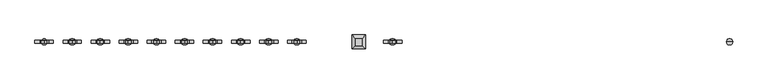
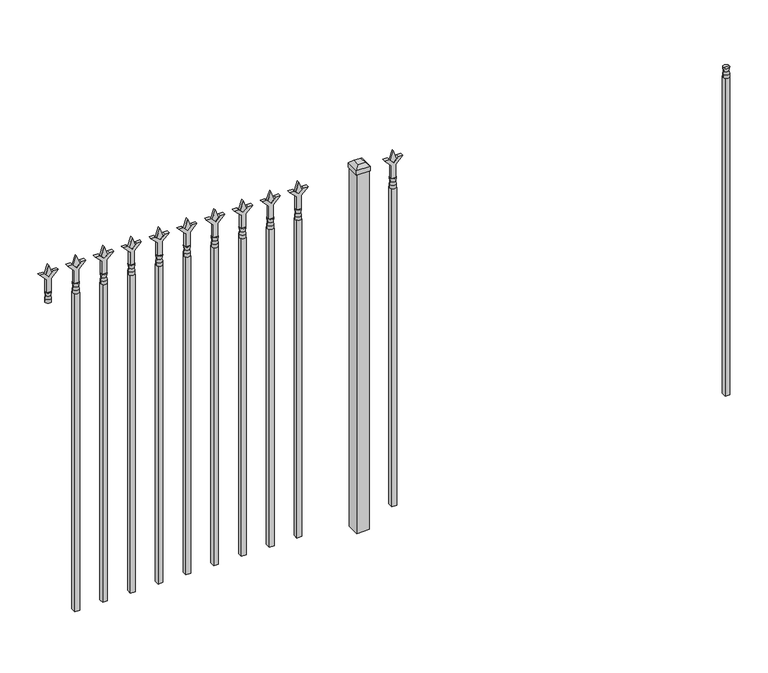
"""IFC4 building model written with IfcOpenShell, lengths in millimetres: railing geometry."""

from ifc_helpers import new_model, si_unit, frame, origin, origin_with_axes, place, context, project, spatial, polyline, circle_curve, outline, extrude, faceted_brep, source, transform, mapped, element, save
from ifc_brep_helpers import plane_surface, cylinder_surface, revolved_surface, advanced_brep


def railing_dc8697da(model_context):
    return source(origin(), model_context, "Body", "SolidModel", [
        advanced_brep(
        [(-70507.574337, 5460.7429826, 1384.3), (-70531.386837, 5460.7429826, 1384.3), (-70531.386837, 5460.7429826, 1371.6), (-70507.574337, 5460.7429826, 1371.6), (-70509.7796688, 5460.7429826, 1396.8070585), (-70529.1815051, 5460.7429826, 1396.8070585), (-70507.574337, 5460.7429826, 1412.875), (-70531.386837, 5460.7429826, 1412.875), (-70519.480587, 5460.7429826, 1412.875), (-70519.480587, 5460.7429826, 1371.6)],
        [
            (0, 1, circle_curve(frame((-70519.480587, 5460.7429826, 1384.3), z_axis=(0.0, 0.0, -1.0), x_axis=(-1.0, 0.0, 0.0)), 11.90625)),
            (1, 2),
            (2, 3, circle_curve(frame((-70519.480587, 5460.7429826, 1371.6), z_axis=(0.0, 0.0, 1.0), x_axis=(-1.0, 0.0, 0.0)), 11.90625)),
            (3, 0),
            (1, 0, circle_curve(frame((-70519.480587, 5460.7429826, 1384.3), z_axis=(0.0, 0.0, -1.0), x_axis=(-1.0, 0.0, 0.0)), 11.90625)),
            (3, 2, circle_curve(frame((-70519.480587, 5460.7429826, 1371.6), z_axis=(0.0, 0.0, 1.0), x_axis=(-1.0, 0.0, 0.0)), 11.90625)),
            (4, 5, circle_curve(frame((-70519.480587, 5460.7429826, 1396.8070585), z_axis=(0.0, 0.0, -1.0), x_axis=(-1.0, 0.0, 0.0)), 9.7009181)),
            (5, 1),
            (0, 4),
            (5, 4, circle_curve(frame((-70519.480587, 5460.7429826, 1396.8070585), z_axis=(0.0, 0.0, -1.0), x_axis=(-1.0, 0.0, 0.0)), 9.7009181)),
            (6, 7, circle_curve(frame((-70519.480587, 5460.7429826, 1412.875), z_axis=(0.0, 0.0, -1.0), x_axis=(-1.0, 0.0, 0.0)), 11.90625)),
            (7, 5),
            (4, 6),
            (7, 6, circle_curve(frame((-70519.480587, 5460.7429826, 1412.875), z_axis=(0.0, 0.0, -1.0), x_axis=(-1.0, 0.0, 0.0)), 11.90625)),
            (8, 7),
            (6, 8),
            (2, 9),
            (9, 3),
        ],
        [
            cylinder_surface(frame((-70519.480587, 5460.7429826, 1371.6), z_axis=(0.0, 0.0, 1.0), x_axis=(-1.0, 0.0, 0.0)), 11.90625),
            revolved_surface(polyline([(-70531.386837, 5460.7429826, 1384.3), (-70529.1815051, 5460.7429826, 1396.8070585)]), (-70519.480587, 5460.7429826, 1371.6), (0.0, 0.0, 1.0)),
            revolved_surface(polyline([(-70529.1815051, 5460.7429826, 1396.8070585), (-70531.386837, 5460.7429826, 1412.875)]), (-70519.480587, 5460.7429826, 1371.6), (0.0, 0.0, 1.0)),
            plane_surface(frame((-70519.480587, 5460.7429826, 1412.875), z_axis=(0.0, 0.0, 1.0), x_axis=(-1.0, 0.0, 0.0))),
            plane_surface(frame((-70519.480587, 5460.7429826, 1371.6), z_axis=(0.0, 0.0, -1.0), x_axis=(-1.0, 0.0, 0.0))),
        ],
        [
            (0, [[1, 2, 3, 4]]),
            (0, [[5, -4, 6, -2]]),
            (1, [[7, 8, -1, 9]]),
            (1, [[10, -9, -5, -8]]),
            (2, [[11, 12, -7, 13]]),
            (2, [[14, -13, -10, -12]]),
            (3, [[15, -11, 16]]),
            (3, [[-16, -14, -15]]),
            (4, [[-3, 17, 18]]),
            (4, [[-6, -18, -17]]),
        ],
    ),
        extrude(outline(polyline([(-70529.005587, 5470.2679826), (-70509.955587, 5470.2679826), (-70509.955587, 5451.2179826), (-70529.005587, 5451.2179826), (-70529.005587, 5470.2679826)])), frame((0.0, 0.0, 50.8), z_axis=(0.0, 0.0, 1.0), x_axis=(1.0, 0.0, 0.0)), (0.0, 0.0, 1.0), 1320.8),
        extrude(outline(polyline([(1488.28125, -71818.849337), (1524.0, -71830.755587), (1488.28125, -71842.661837), (1476.375, -71830.755587), (1488.28125, -71818.849337)])), frame((0.0, 5455.9804826, 0.0), z_axis=(0.0, 1.0, 0.0), x_axis=(0.0, 0.0, 1.0)), (0.0, 0.0, 1.0), 9.525),
        extrude(outline(polyline([(1412.875, -71822.024337), (1467.1457378, -71822.024337), (1494.3355122, -71794.8345625), (1494.3355122, -71812.7950747), (1476.375, -71830.755587), (1494.3355122, -71848.7160992), (1494.3355122, -71866.6766114), (1467.1457378, -71839.486837), (1412.875, -71839.486837), (1412.875, -71822.024337)])), frame((0.0, 5454.3929826, 0.0), z_axis=(0.0, 1.0, 0.0), x_axis=(0.0, 0.0, 1.0)), (0.0, 0.0, 1.0), 12.7),
        advanced_brep(
        [(-71818.849337, 5460.7429826, 1384.3), (-71842.661837, 5460.7429826, 1384.3), (-71842.661837, 5460.7429826, 1371.6), (-71818.849337, 5460.7429826, 1371.6), (-71821.0546688, 5460.7429826, 1396.8070585), (-71840.4565051, 5460.7429826, 1396.8070585), (-71818.849337, 5460.7429826, 1412.875), (-71842.661837, 5460.7429826, 1412.875), (-71830.755587, 5460.7429826, 1412.875), (-71830.755587, 5460.7429826, 1371.6)],
        [
            (0, 1, circle_curve(frame((-71830.755587, 5460.7429826, 1384.3), z_axis=(0.0, 0.0, -1.0), x_axis=(-1.0, 0.0, 0.0)), 11.90625)),
            (1, 2),
            (2, 3, circle_curve(frame((-71830.755587, 5460.7429826, 1371.6), z_axis=(0.0, 0.0, 1.0), x_axis=(-1.0, 0.0, 0.0)), 11.90625)),
            (3, 0),
            (1, 0, circle_curve(frame((-71830.755587, 5460.7429826, 1384.3), z_axis=(0.0, 0.0, -1.0), x_axis=(-1.0, 0.0, 0.0)), 11.90625)),
            (3, 2, circle_curve(frame((-71830.755587, 5460.7429826, 1371.6), z_axis=(0.0, 0.0, 1.0), x_axis=(-1.0, 0.0, 0.0)), 11.90625)),
            (4, 5, circle_curve(frame((-71830.755587, 5460.7429826, 1396.8070585), z_axis=(0.0, 0.0, -1.0), x_axis=(-1.0, 0.0, 0.0)), 9.7009181)),
            (5, 1),
            (0, 4),
            (5, 4, circle_curve(frame((-71830.755587, 5460.7429826, 1396.8070585), z_axis=(0.0, 0.0, -1.0), x_axis=(-1.0, 0.0, 0.0)), 9.7009181)),
            (6, 7, circle_curve(frame((-71830.755587, 5460.7429826, 1412.875), z_axis=(0.0, 0.0, -1.0), x_axis=(-1.0, 0.0, 0.0)), 11.90625)),
            (7, 5),
            (4, 6),
            (7, 6, circle_curve(frame((-71830.755587, 5460.7429826, 1412.875), z_axis=(0.0, 0.0, -1.0), x_axis=(-1.0, 0.0, 0.0)), 11.90625)),
            (8, 7),
            (6, 8),
            (2, 9),
            (9, 3),
        ],
        [
            cylinder_surface(frame((-71830.755587, 5460.7429826, 1371.6), z_axis=(0.0, 0.0, 1.0), x_axis=(-1.0, 0.0, 0.0)), 11.90625),
            revolved_surface(polyline([(-71842.661837, 5460.7429826, 1384.3), (-71840.4565051, 5460.7429826, 1396.8070585)]), (-71830.755587, 5460.7429826, 1371.6), (0.0, 0.0, 1.0)),
            revolved_surface(polyline([(-71840.4565051, 5460.7429826, 1396.8070585), (-71842.661837, 5460.7429826, 1412.875)]), (-71830.755587, 5460.7429826, 1371.6), (0.0, 0.0, 1.0)),
            plane_surface(frame((-71830.755587, 5460.7429826, 1412.875), z_axis=(0.0, 0.0, 1.0), x_axis=(-1.0, 0.0, 0.0))),
            plane_surface(frame((-71830.755587, 5460.7429826, 1371.6), z_axis=(0.0, 0.0, -1.0), x_axis=(-1.0, 0.0, 0.0))),
        ],
        [
            (0, [[1, 2, 3, 4]]),
            (0, [[5, -4, 6, -2]]),
            (1, [[7, 8, -1, 9]]),
            (1, [[10, -9, -5, -8]]),
            (2, [[11, 12, -7, 13]]),
            (2, [[14, -13, -10, -12]]),
            (3, [[15, -11, 16]]),
            (3, [[-16, -14, -15]]),
            (4, [[-3, 17, 18]]),
            (4, [[-6, -18, -17]]),
        ],
    ),
        extrude(outline(polyline([(-71840.280587, 5470.2679826), (-71821.230587, 5470.2679826), (-71821.230587, 5451.2179826), (-71840.280587, 5451.2179826), (-71840.280587, 5470.2679826)])), frame((0.0, 0.0, 50.8), z_axis=(0.0, 0.0, 1.0), x_axis=(1.0, 0.0, 0.0)), (0.0, 0.0, 1.0), 1320.8),
        extrude(outline(polyline([(-71937.118087, 5486.1429826), (-71937.118087, 5435.3429826), (-71987.918087, 5435.3429826), (-71987.918087, 5486.1429826), (-71937.118087, 5486.1429826)])), origin_with_axes(), (0.0, 0.0, 1.0), 1492.25),
        faceted_brep([(-71989.505587, 5487.7304826, 1511.3), (-71989.505587, 5487.7304826, 1492.25), (-71989.505587, 5433.7554826, 1492.25), (-71989.505587, 5433.7554826, 1511.3), (-71976.805587, 5475.0304826, 1524.0), (-71976.805587, 5446.4554826, 1524.0), (-71935.530587, 5433.7554826, 1492.25), (-71935.530587, 5433.7554826, 1511.3), (-71948.230587, 5446.4554826, 1524.0), (-71935.530587, 5487.7304826, 1492.25), (-71935.530587, 5487.7304826, 1511.3), (-71948.230587, 5475.0304826, 1524.0)], [[[0, 1, 2, 3]], [[4, 0, 3, 5]], [[3, 2, 6, 7]], [[5, 3, 7, 8]], [[7, 6, 9, 10]], [[8, 7, 10, 11]], [[10, 9, 1, 0]], [[11, 10, 0, 4]], [[5, 8, 11, 4]], [[1, 9, 6, 2]]]),
        extrude(outline(polyline([(1488.28125, -72191.6472536), (1524.0, -72203.5535036), (1488.28125, -72215.4597536), (1476.375, -72203.5535036), (1488.28125, -72191.6472536)])), frame((0.0, 5455.9804826, 0.0), z_axis=(0.0, 1.0, 0.0), x_axis=(0.0, 0.0, 1.0)), (0.0, 0.0, 1.0), 9.525),
        extrude(outline(polyline([(1412.875, -72194.8222536), (1467.1457378, -72194.8222536), (1494.3355122, -72167.6324791), (1494.3355122, -72185.5929914), (1476.375, -72203.5535036), (1494.3355122, -72221.5140159), (1494.3355122, -72239.4745281), (1467.1457378, -72212.2847536), (1412.875, -72212.2847536), (1412.875, -72194.8222536)])), frame((0.0, 5454.3929826, 0.0), z_axis=(0.0, 1.0, 0.0), x_axis=(0.0, 0.0, 1.0)), (0.0, 0.0, 1.0), 12.7),
        advanced_brep(
        [(-72191.6472536, 5460.7429826, 1384.3), (-72215.4597536, 5460.7429826, 1384.3), (-72215.4597536, 5460.7429826, 1371.6), (-72191.6472536, 5460.7429826, 1371.6), (-72193.8525855, 5460.7429826, 1396.8070585), (-72213.2544218, 5460.7429826, 1396.8070585), (-72191.6472536, 5460.7429826, 1412.875), (-72215.4597536, 5460.7429826, 1412.875), (-72203.5535036, 5460.7429826, 1412.875), (-72203.5535036, 5460.7429826, 1371.6)],
        [
            (0, 1, circle_curve(frame((-72203.5535036, 5460.7429826, 1384.3), z_axis=(0.0, 0.0, -1.0), x_axis=(-1.0, 0.0, 0.0)), 11.90625)),
            (1, 2),
            (2, 3, circle_curve(frame((-72203.5535036, 5460.7429826, 1371.6), z_axis=(0.0, 0.0, 1.0), x_axis=(-1.0, 0.0, 0.0)), 11.90625)),
            (3, 0),
            (1, 0, circle_curve(frame((-72203.5535036, 5460.7429826, 1384.3), z_axis=(0.0, 0.0, -1.0), x_axis=(-1.0, 0.0, 0.0)), 11.90625)),
            (3, 2, circle_curve(frame((-72203.5535036, 5460.7429826, 1371.6), z_axis=(0.0, 0.0, 1.0), x_axis=(-1.0, 0.0, 0.0)), 11.90625)),
            (4, 5, circle_curve(frame((-72203.5535036, 5460.7429826, 1396.8070585), z_axis=(0.0, 0.0, -1.0), x_axis=(-1.0, 0.0, 0.0)), 9.7009181)),
            (5, 1),
            (0, 4),
            (5, 4, circle_curve(frame((-72203.5535036, 5460.7429826, 1396.8070585), z_axis=(0.0, 0.0, -1.0), x_axis=(-1.0, 0.0, 0.0)), 9.7009181)),
            (6, 7, circle_curve(frame((-72203.5535036, 5460.7429826, 1412.875), z_axis=(0.0, 0.0, -1.0), x_axis=(-1.0, 0.0, 0.0)), 11.90625)),
            (7, 5),
            (4, 6),
            (7, 6, circle_curve(frame((-72203.5535036, 5460.7429826, 1412.875), z_axis=(0.0, 0.0, -1.0), x_axis=(-1.0, 0.0, 0.0)), 11.90625)),
            (8, 7),
            (6, 8),
            (2, 9),
            (9, 3),
        ],
        [
            cylinder_surface(frame((-72203.5535036, 5460.7429826, 1371.6), z_axis=(0.0, 0.0, 1.0), x_axis=(-1.0, 0.0, 0.0)), 11.90625),
            revolved_surface(polyline([(-72215.4597536, 5460.7429826, 1384.3), (-72213.2544218, 5460.7429826, 1396.8070585)]), (-72203.5535036, 5460.7429826, 1371.6), (0.0, 0.0, 1.0)),
            revolved_surface(polyline([(-72213.2544218, 5460.7429826, 1396.8070585), (-72215.4597536, 5460.7429826, 1412.875)]), (-72203.5535036, 5460.7429826, 1371.6), (0.0, 0.0, 1.0)),
            plane_surface(frame((-72203.5535036, 5460.7429826, 1412.875), z_axis=(0.0, 0.0, 1.0), x_axis=(-1.0, 0.0, 0.0))),
            plane_surface(frame((-72203.5535036, 5460.7429826, 1371.6), z_axis=(0.0, 0.0, -1.0), x_axis=(-1.0, 0.0, 0.0))),
        ],
        [
            (0, [[1, 2, 3, 4]]),
            (0, [[5, -4, 6, -2]]),
            (1, [[7, 8, -1, 9]]),
            (1, [[10, -9, -5, -8]]),
            (2, [[11, 12, -7, 13]]),
            (2, [[14, -13, -10, -12]]),
            (3, [[15, -11, 16]]),
            (3, [[-16, -14, -15]]),
            (4, [[-3, 17, 18]]),
            (4, [[-6, -18, -17]]),
        ],
    ),
        extrude(outline(polyline([(-72213.0785036, 5470.2679826), (-72194.0285036, 5470.2679826), (-72194.0285036, 5451.2179826), (-72213.0785036, 5451.2179826), (-72213.0785036, 5470.2679826)])), frame((0.0, 0.0, 50.8), z_axis=(0.0, 0.0, 1.0), x_axis=(1.0, 0.0, 0.0)), (0.0, 0.0, 1.0), 1320.8),
        extrude(outline(polyline([(1488.28125, -72300.9201703), (1524.0, -72312.8264203), (1488.28125, -72324.7326703), (1476.375, -72312.8264203), (1488.28125, -72300.9201703)])), frame((0.0, 5455.9804826, 0.0), z_axis=(0.0, 1.0, 0.0), x_axis=(0.0, 0.0, 1.0)), (0.0, 0.0, 1.0), 9.525),
        extrude(outline(polyline([(1412.875, -72304.0951703), (1467.1457378, -72304.0951703), (1494.3355122, -72276.9053958), (1494.3355122, -72294.8659081), (1476.375, -72312.8264203), (1494.3355122, -72330.7869325), (1494.3355122, -72348.7474448), (1467.1457378, -72321.5576703), (1412.875, -72321.5576703), (1412.875, -72304.0951703)])), frame((0.0, 5454.3929826, 0.0), z_axis=(0.0, 1.0, 0.0), x_axis=(0.0, 0.0, 1.0)), (0.0, 0.0, 1.0), 12.7),
        advanced_brep(
        [(-72300.9201703, 5460.7429826, 1384.3), (-72324.7326703, 5460.7429826, 1384.3), (-72324.7326703, 5460.7429826, 1371.6), (-72300.9201703, 5460.7429826, 1371.6), (-72303.1255022, 5460.7429826, 1396.8070585), (-72322.5273384, 5460.7429826, 1396.8070585), (-72300.9201703, 5460.7429826, 1412.875), (-72324.7326703, 5460.7429826, 1412.875), (-72312.8264203, 5460.7429826, 1412.875), (-72312.8264203, 5460.7429826, 1371.6)],
        [
            (0, 1, circle_curve(frame((-72312.8264203, 5460.7429826, 1384.3), z_axis=(0.0, 0.0, -1.0), x_axis=(-1.0, 0.0, 0.0)), 11.90625)),
            (1, 2),
            (2, 3, circle_curve(frame((-72312.8264203, 5460.7429826, 1371.6), z_axis=(0.0, 0.0, 1.0), x_axis=(-1.0, 0.0, 0.0)), 11.90625)),
            (3, 0),
            (1, 0, circle_curve(frame((-72312.8264203, 5460.7429826, 1384.3), z_axis=(0.0, 0.0, -1.0), x_axis=(-1.0, 0.0, 0.0)), 11.90625)),
            (3, 2, circle_curve(frame((-72312.8264203, 5460.7429826, 1371.6), z_axis=(0.0, 0.0, 1.0), x_axis=(-1.0, 0.0, 0.0)), 11.90625)),
            (4, 5, circle_curve(frame((-72312.8264203, 5460.7429826, 1396.8070585), z_axis=(0.0, 0.0, -1.0), x_axis=(-1.0, 0.0, 0.0)), 9.7009181)),
            (5, 1),
            (0, 4),
            (5, 4, circle_curve(frame((-72312.8264203, 5460.7429826, 1396.8070585), z_axis=(0.0, 0.0, -1.0), x_axis=(-1.0, 0.0, 0.0)), 9.7009181)),
            (6, 7, circle_curve(frame((-72312.8264203, 5460.7429826, 1412.875), z_axis=(0.0, 0.0, -1.0), x_axis=(-1.0, 0.0, 0.0)), 11.90625)),
            (7, 5),
            (4, 6),
            (7, 6, circle_curve(frame((-72312.8264203, 5460.7429826, 1412.875), z_axis=(0.0, 0.0, -1.0), x_axis=(-1.0, 0.0, 0.0)), 11.90625)),
            (8, 7),
            (6, 8),
            (2, 9),
            (9, 3),
        ],
        [
            cylinder_surface(frame((-72312.8264203, 5460.7429826, 1371.6), z_axis=(0.0, 0.0, 1.0), x_axis=(-1.0, 0.0, 0.0)), 11.90625),
            revolved_surface(polyline([(-72324.7326703, 5460.7429826, 1384.3), (-72322.5273384, 5460.7429826, 1396.8070585)]), (-72312.8264203, 5460.7429826, 1371.6), (0.0, 0.0, 1.0)),
            revolved_surface(polyline([(-72322.5273384, 5460.7429826, 1396.8070585), (-72324.7326703, 5460.7429826, 1412.875)]), (-72312.8264203, 5460.7429826, 1371.6), (0.0, 0.0, 1.0)),
            plane_surface(frame((-72312.8264203, 5460.7429826, 1412.875), z_axis=(0.0, 0.0, 1.0), x_axis=(-1.0, 0.0, 0.0))),
            plane_surface(frame((-72312.8264203, 5460.7429826, 1371.6), z_axis=(0.0, 0.0, -1.0), x_axis=(-1.0, 0.0, 0.0))),
        ],
        [
            (0, [[1, 2, 3, 4]]),
            (0, [[5, -4, 6, -2]]),
            (1, [[7, 8, -1, 9]]),
            (1, [[10, -9, -5, -8]]),
            (2, [[11, 12, -7, 13]]),
            (2, [[14, -13, -10, -12]]),
            (3, [[15, -11, 16]]),
            (3, [[-16, -14, -15]]),
            (4, [[-3, 17, 18]]),
            (4, [[-6, -18, -17]]),
        ],
    ),
        extrude(outline(polyline([(-72322.3514203, 5470.2679826), (-72303.3014203, 5470.2679826), (-72303.3014203, 5451.2179826), (-72322.3514203, 5451.2179826), (-72322.3514203, 5470.2679826)])), frame((0.0, 0.0, 50.8), z_axis=(0.0, 0.0, 1.0), x_axis=(1.0, 0.0, 0.0)), (0.0, 0.0, 1.0), 1320.8),
        extrude(outline(polyline([(1488.28125, -72410.193087), (1524.0, -72422.099337), (1488.28125, -72434.005587), (1476.375, -72422.099337), (1488.28125, -72410.193087)])), frame((0.0, 5455.9804826, 0.0), z_axis=(0.0, 1.0, 0.0), x_axis=(0.0, 0.0, 1.0)), (0.0, 0.0, 1.0), 9.525),
        extrude(outline(polyline([(1412.875, -72413.368087), (1467.1457378, -72413.368087), (1494.3355122, -72386.1783125), (1494.3355122, -72404.1388247), (1476.375, -72422.099337), (1494.3355122, -72440.0598492), (1494.3355122, -72458.0203614), (1467.1457378, -72430.830587), (1412.875, -72430.830587), (1412.875, -72413.368087)])), frame((0.0, 5454.3929826, 0.0), z_axis=(0.0, 1.0, 0.0), x_axis=(0.0, 0.0, 1.0)), (0.0, 0.0, 1.0), 12.7),
        advanced_brep(
        [(-72410.193087, 5460.7429826, 1384.3), (-72434.005587, 5460.7429826, 1384.3), (-72434.005587, 5460.7429826, 1371.6), (-72410.193087, 5460.7429826, 1371.6), (-72412.3984188, 5460.7429826, 1396.8070585), (-72431.8002551, 5460.7429826, 1396.8070585), (-72410.193087, 5460.7429826, 1412.875), (-72434.005587, 5460.7429826, 1412.875), (-72422.099337, 5460.7429826, 1412.875), (-72422.099337, 5460.7429826, 1371.6)],
        [
            (0, 1, circle_curve(frame((-72422.099337, 5460.7429826, 1384.3), z_axis=(0.0, 0.0, -1.0), x_axis=(-1.0, 0.0, 0.0)), 11.90625)),
            (1, 2),
            (2, 3, circle_curve(frame((-72422.099337, 5460.7429826, 1371.6), z_axis=(0.0, 0.0, 1.0), x_axis=(-1.0, 0.0, 0.0)), 11.90625)),
            (3, 0),
            (1, 0, circle_curve(frame((-72422.099337, 5460.7429826, 1384.3), z_axis=(0.0, 0.0, -1.0), x_axis=(-1.0, 0.0, 0.0)), 11.90625)),
            (3, 2, circle_curve(frame((-72422.099337, 5460.7429826, 1371.6), z_axis=(0.0, 0.0, 1.0), x_axis=(-1.0, 0.0, 0.0)), 11.90625)),
            (4, 5, circle_curve(frame((-72422.099337, 5460.7429826, 1396.8070585), z_axis=(0.0, 0.0, -1.0), x_axis=(-1.0, 0.0, 0.0)), 9.7009181)),
            (5, 1),
            (0, 4),
            (5, 4, circle_curve(frame((-72422.099337, 5460.7429826, 1396.8070585), z_axis=(0.0, 0.0, -1.0), x_axis=(-1.0, 0.0, 0.0)), 9.7009181)),
            (6, 7, circle_curve(frame((-72422.099337, 5460.7429826, 1412.875), z_axis=(0.0, 0.0, -1.0), x_axis=(-1.0, 0.0, 0.0)), 11.90625)),
            (7, 5),
            (4, 6),
            (7, 6, circle_curve(frame((-72422.099337, 5460.7429826, 1412.875), z_axis=(0.0, 0.0, -1.0), x_axis=(-1.0, 0.0, 0.0)), 11.90625)),
            (8, 7),
            (6, 8),
            (2, 9),
            (9, 3),
        ],
        [
            cylinder_surface(frame((-72422.099337, 5460.7429826, 1371.6), z_axis=(0.0, 0.0, 1.0), x_axis=(-1.0, 0.0, 0.0)), 11.90625),
            revolved_surface(polyline([(-72434.005587, 5460.7429826, 1384.3), (-72431.8002551, 5460.7429826, 1396.8070585)]), (-72422.099337, 5460.7429826, 1371.6), (0.0, 0.0, 1.0)),
            revolved_surface(polyline([(-72431.8002551, 5460.7429826, 1396.8070585), (-72434.005587, 5460.7429826, 1412.875)]), (-72422.099337, 5460.7429826, 1371.6), (0.0, 0.0, 1.0)),
            plane_surface(frame((-72422.099337, 5460.7429826, 1412.875), z_axis=(0.0, 0.0, 1.0), x_axis=(-1.0, 0.0, 0.0))),
            plane_surface(frame((-72422.099337, 5460.7429826, 1371.6), z_axis=(0.0, 0.0, -1.0), x_axis=(-1.0, 0.0, 0.0))),
        ],
        [
            (0, [[1, 2, 3, 4]]),
            (0, [[5, -4, 6, -2]]),
            (1, [[7, 8, -1, 9]]),
            (1, [[10, -9, -5, -8]]),
            (2, [[11, 12, -7, 13]]),
            (2, [[14, -13, -10, -12]]),
            (3, [[15, -11, 16]]),
            (3, [[-16, -14, -15]]),
            (4, [[-3, 17, 18]]),
            (4, [[-6, -18, -17]]),
        ],
    ),
        extrude(outline(polyline([(-72431.624337, 5470.2679826), (-72412.574337, 5470.2679826), (-72412.574337, 5451.2179826), (-72431.624337, 5451.2179826), (-72431.624337, 5470.2679826)])), frame((0.0, 0.0, 50.8), z_axis=(0.0, 0.0, 1.0), x_axis=(1.0, 0.0, 0.0)), (0.0, 0.0, 1.0), 1320.8),
        extrude(outline(polyline([(1488.28125, -72519.4660036), (1524.0, -72531.3722536), (1488.28125, -72543.2785036), (1476.375, -72531.3722536), (1488.28125, -72519.4660036)])), frame((0.0, 5455.9804826, 0.0), z_axis=(0.0, 1.0, 0.0), x_axis=(0.0, 0.0, 1.0)), (0.0, 0.0, 1.0), 9.525),
        extrude(outline(polyline([(1412.875, -72522.6410036), (1467.1457378, -72522.6410036), (1494.3355122, -72495.4512291), (1494.3355122, -72513.4117414), (1476.375, -72531.3722536), (1494.3355122, -72549.3327659), (1494.3355122, -72567.2932781), (1467.1457378, -72540.1035036), (1412.875, -72540.1035036), (1412.875, -72522.6410036)])), frame((0.0, 5454.3929826, 0.0), z_axis=(0.0, 1.0, 0.0), x_axis=(0.0, 0.0, 1.0)), (0.0, 0.0, 1.0), 12.7),
        advanced_brep(
        [(-72519.4660036, 5460.7429826, 1384.3), (-72543.2785036, 5460.7429826, 1384.3), (-72543.2785036, 5460.7429826, 1371.6), (-72519.4660036, 5460.7429826, 1371.6), (-72521.6713355, 5460.7429826, 1396.8070585), (-72541.0731718, 5460.7429826, 1396.8070585), (-72519.4660036, 5460.7429826, 1412.875), (-72543.2785036, 5460.7429826, 1412.875), (-72531.3722536, 5460.7429826, 1412.875), (-72531.3722536, 5460.7429826, 1371.6)],
        [
            (0, 1, circle_curve(frame((-72531.3722536, 5460.7429826, 1384.3), z_axis=(0.0, 0.0, -1.0), x_axis=(-1.0, 0.0, 0.0)), 11.90625)),
            (1, 2),
            (2, 3, circle_curve(frame((-72531.3722536, 5460.7429826, 1371.6), z_axis=(0.0, 0.0, 1.0), x_axis=(-1.0, 0.0, 0.0)), 11.90625)),
            (3, 0),
            (1, 0, circle_curve(frame((-72531.3722536, 5460.7429826, 1384.3), z_axis=(0.0, 0.0, -1.0), x_axis=(-1.0, 0.0, 0.0)), 11.90625)),
            (3, 2, circle_curve(frame((-72531.3722536, 5460.7429826, 1371.6), z_axis=(0.0, 0.0, 1.0), x_axis=(-1.0, 0.0, 0.0)), 11.90625)),
            (4, 5, circle_curve(frame((-72531.3722536, 5460.7429826, 1396.8070585), z_axis=(0.0, 0.0, -1.0), x_axis=(-1.0, 0.0, 0.0)), 9.7009181)),
            (5, 1),
            (0, 4),
            (5, 4, circle_curve(frame((-72531.3722536, 5460.7429826, 1396.8070585), z_axis=(0.0, 0.0, -1.0), x_axis=(-1.0, 0.0, 0.0)), 9.7009181)),
            (6, 7, circle_curve(frame((-72531.3722536, 5460.7429826, 1412.875), z_axis=(0.0, 0.0, -1.0), x_axis=(-1.0, 0.0, 0.0)), 11.90625)),
            (7, 5),
            (4, 6),
            (7, 6, circle_curve(frame((-72531.3722536, 5460.7429826, 1412.875), z_axis=(0.0, 0.0, -1.0), x_axis=(-1.0, 0.0, 0.0)), 11.90625)),
            (8, 7),
            (6, 8),
            (2, 9),
            (9, 3),
        ],
        [
            cylinder_surface(frame((-72531.3722536, 5460.7429826, 1371.6), z_axis=(0.0, 0.0, 1.0), x_axis=(-1.0, 0.0, 0.0)), 11.90625),
            revolved_surface(polyline([(-72543.2785036, 5460.7429826, 1384.3), (-72541.0731718, 5460.7429826, 1396.8070585)]), (-72531.3722536, 5460.7429826, 1371.6), (0.0, 0.0, 1.0)),
            revolved_surface(polyline([(-72541.0731718, 5460.7429826, 1396.8070585), (-72543.2785036, 5460.7429826, 1412.875)]), (-72531.3722536, 5460.7429826, 1371.6), (0.0, 0.0, 1.0)),
            plane_surface(frame((-72531.3722536, 5460.7429826, 1412.875), z_axis=(0.0, 0.0, 1.0), x_axis=(-1.0, 0.0, 0.0))),
            plane_surface(frame((-72531.3722536, 5460.7429826, 1371.6), z_axis=(0.0, 0.0, -1.0), x_axis=(-1.0, 0.0, 0.0))),
        ],
        [
            (0, [[1, 2, 3, 4]]),
            (0, [[5, -4, 6, -2]]),
            (1, [[7, 8, -1, 9]]),
            (1, [[10, -9, -5, -8]]),
            (2, [[11, 12, -7, 13]]),
            (2, [[14, -13, -10, -12]]),
            (3, [[15, -11, 16]]),
            (3, [[-16, -14, -15]]),
            (4, [[-3, 17, 18]]),
            (4, [[-6, -18, -17]]),
        ],
    ),
        extrude(outline(polyline([(-72540.8972536, 5470.2679826), (-72521.8472536, 5470.2679826), (-72521.8472536, 5451.2179826), (-72540.8972536, 5451.2179826), (-72540.8972536, 5470.2679826)])), frame((0.0, 0.0, 50.8), z_axis=(0.0, 0.0, 1.0), x_axis=(1.0, 0.0, 0.0)), (0.0, 0.0, 1.0), 1320.8),
        extrude(outline(polyline([(1488.28125, -72628.7389203), (1524.0, -72640.6451703), (1488.28125, -72652.5514203), (1476.375, -72640.6451703), (1488.28125, -72628.7389203)])), frame((0.0, 5455.9804826, 0.0), z_axis=(0.0, 1.0, 0.0), x_axis=(0.0, 0.0, 1.0)), (0.0, 0.0, 1.0), 9.525),
        extrude(outline(polyline([(1412.875, -72631.9139203), (1467.1457378, -72631.9139203), (1494.3355122, -72604.7241458), (1494.3355122, -72622.6846581), (1476.375, -72640.6451703), (1494.3355122, -72658.6056825), (1494.3355122, -72676.5661948), (1467.1457378, -72649.3764203), (1412.875, -72649.3764203), (1412.875, -72631.9139203)])), frame((0.0, 5454.3929826, 0.0), z_axis=(0.0, 1.0, 0.0), x_axis=(0.0, 0.0, 1.0)), (0.0, 0.0, 1.0), 12.7),
        advanced_brep(
        [(-72628.7389203, 5460.7429826, 1384.3), (-72652.5514203, 5460.7429826, 1384.3), (-72652.5514203, 5460.7429826, 1371.6), (-72628.7389203, 5460.7429826, 1371.6), (-72630.9442522, 5460.7429826, 1396.8070585), (-72650.3460884, 5460.7429826, 1396.8070585), (-72628.7389203, 5460.7429826, 1412.875), (-72652.5514203, 5460.7429826, 1412.875), (-72640.6451703, 5460.7429826, 1412.875), (-72640.6451703, 5460.7429826, 1371.6)],
        [
            (0, 1, circle_curve(frame((-72640.6451703, 5460.7429826, 1384.3), z_axis=(0.0, 0.0, -1.0), x_axis=(-1.0, 0.0, 0.0)), 11.90625)),
            (1, 2),
            (2, 3, circle_curve(frame((-72640.6451703, 5460.7429826, 1371.6), z_axis=(0.0, 0.0, 1.0), x_axis=(-1.0, 0.0, 0.0)), 11.90625)),
            (3, 0),
            (1, 0, circle_curve(frame((-72640.6451703, 5460.7429826, 1384.3), z_axis=(0.0, 0.0, -1.0), x_axis=(-1.0, 0.0, 0.0)), 11.90625)),
            (3, 2, circle_curve(frame((-72640.6451703, 5460.7429826, 1371.6), z_axis=(0.0, 0.0, 1.0), x_axis=(-1.0, 0.0, 0.0)), 11.90625)),
            (4, 5, circle_curve(frame((-72640.6451703, 5460.7429826, 1396.8070585), z_axis=(0.0, 0.0, -1.0), x_axis=(-1.0, 0.0, 0.0)), 9.7009181)),
            (5, 1),
            (0, 4),
            (5, 4, circle_curve(frame((-72640.6451703, 5460.7429826, 1396.8070585), z_axis=(0.0, 0.0, -1.0), x_axis=(-1.0, 0.0, 0.0)), 9.7009181)),
            (6, 7, circle_curve(frame((-72640.6451703, 5460.7429826, 1412.875), z_axis=(0.0, 0.0, -1.0), x_axis=(-1.0, 0.0, 0.0)), 11.90625)),
            (7, 5),
            (4, 6),
            (7, 6, circle_curve(frame((-72640.6451703, 5460.7429826, 1412.875), z_axis=(0.0, 0.0, -1.0), x_axis=(-1.0, 0.0, 0.0)), 11.90625)),
            (8, 7),
            (6, 8),
            (2, 9),
            (9, 3),
        ],
        [
            cylinder_surface(frame((-72640.6451703, 5460.7429826, 1371.6), z_axis=(0.0, 0.0, 1.0), x_axis=(-1.0, 0.0, 0.0)), 11.90625),
            revolved_surface(polyline([(-72652.5514203, 5460.7429826, 1384.3), (-72650.3460884, 5460.7429826, 1396.8070585)]), (-72640.6451703, 5460.7429826, 1371.6), (0.0, 0.0, 1.0)),
            revolved_surface(polyline([(-72650.3460884, 5460.7429826, 1396.8070585), (-72652.5514203, 5460.7429826, 1412.875)]), (-72640.6451703, 5460.7429826, 1371.6), (0.0, 0.0, 1.0)),
            plane_surface(frame((-72640.6451703, 5460.7429826, 1412.875), z_axis=(0.0, 0.0, 1.0), x_axis=(-1.0, 0.0, 0.0))),
            plane_surface(frame((-72640.6451703, 5460.7429826, 1371.6), z_axis=(0.0, 0.0, -1.0), x_axis=(-1.0, 0.0, 0.0))),
        ],
        [
            (0, [[1, 2, 3, 4]]),
            (0, [[5, -4, 6, -2]]),
            (1, [[7, 8, -1, 9]]),
            (1, [[10, -9, -5, -8]]),
            (2, [[11, 12, -7, 13]]),
            (2, [[14, -13, -10, -12]]),
            (3, [[15, -11, 16]]),
            (3, [[-16, -14, -15]]),
            (4, [[-3, 17, 18]]),
            (4, [[-6, -18, -17]]),
        ],
    ),
        extrude(outline(polyline([(-72650.1701703, 5470.2679826), (-72631.1201703, 5470.2679826), (-72631.1201703, 5451.2179826), (-72650.1701703, 5451.2179826), (-72650.1701703, 5470.2679826)])), frame((0.0, 0.0, 50.8), z_axis=(0.0, 0.0, 1.0), x_axis=(1.0, 0.0, 0.0)), (0.0, 0.0, 1.0), 1320.8),
        extrude(outline(polyline([(1488.28125, -72738.011837), (1524.0, -72749.918087), (1488.28125, -72761.824337), (1476.375, -72749.918087), (1488.28125, -72738.011837)])), frame((0.0, 5455.9804826, 0.0), z_axis=(0.0, 1.0, 0.0), x_axis=(0.0, 0.0, 1.0)), (0.0, 0.0, 1.0), 9.525),
        extrude(outline(polyline([(1412.875, -72741.186837), (1467.1457378, -72741.186837), (1494.3355122, -72713.9970625), (1494.3355122, -72731.9575747), (1476.375, -72749.918087), (1494.3355122, -72767.8785992), (1494.3355122, -72785.8391114), (1467.1457378, -72758.649337), (1412.875, -72758.649337), (1412.875, -72741.186837)])), frame((0.0, 5454.3929826, 0.0), z_axis=(0.0, 1.0, 0.0), x_axis=(0.0, 0.0, 1.0)), (0.0, 0.0, 1.0), 12.7),
        advanced_brep(
        [(-72738.011837, 5460.7429826, 1384.3), (-72761.824337, 5460.7429826, 1384.3), (-72761.824337, 5460.7429826, 1371.6), (-72738.011837, 5460.7429826, 1371.6), (-72740.2171688, 5460.7429826, 1396.8070585), (-72759.6190051, 5460.7429826, 1396.8070585), (-72738.011837, 5460.7429826, 1412.875), (-72761.824337, 5460.7429826, 1412.875), (-72749.918087, 5460.7429826, 1412.875), (-72749.918087, 5460.7429826, 1371.6)],
        [
            (0, 1, circle_curve(frame((-72749.918087, 5460.7429826, 1384.3), z_axis=(0.0, 0.0, -1.0), x_axis=(-1.0, 0.0, 0.0)), 11.90625)),
            (1, 2),
            (2, 3, circle_curve(frame((-72749.918087, 5460.7429826, 1371.6), z_axis=(0.0, 0.0, 1.0), x_axis=(-1.0, 0.0, 0.0)), 11.90625)),
            (3, 0),
            (1, 0, circle_curve(frame((-72749.918087, 5460.7429826, 1384.3), z_axis=(0.0, 0.0, -1.0), x_axis=(-1.0, 0.0, 0.0)), 11.90625)),
            (3, 2, circle_curve(frame((-72749.918087, 5460.7429826, 1371.6), z_axis=(0.0, 0.0, 1.0), x_axis=(-1.0, 0.0, 0.0)), 11.90625)),
            (4, 5, circle_curve(frame((-72749.918087, 5460.7429826, 1396.8070585), z_axis=(0.0, 0.0, -1.0), x_axis=(-1.0, 0.0, 0.0)), 9.7009181)),
            (5, 1),
            (0, 4),
            (5, 4, circle_curve(frame((-72749.918087, 5460.7429826, 1396.8070585), z_axis=(0.0, 0.0, -1.0), x_axis=(-1.0, 0.0, 0.0)), 9.7009181)),
            (6, 7, circle_curve(frame((-72749.918087, 5460.7429826, 1412.875), z_axis=(0.0, 0.0, -1.0), x_axis=(-1.0, 0.0, 0.0)), 11.90625)),
            (7, 5),
            (4, 6),
            (7, 6, circle_curve(frame((-72749.918087, 5460.7429826, 1412.875), z_axis=(0.0, 0.0, -1.0), x_axis=(-1.0, 0.0, 0.0)), 11.90625)),
            (8, 7),
            (6, 8),
            (2, 9),
            (9, 3),
        ],
        [
            cylinder_surface(frame((-72749.918087, 5460.7429826, 1371.6), z_axis=(0.0, 0.0, 1.0), x_axis=(-1.0, 0.0, 0.0)), 11.90625),
            revolved_surface(polyline([(-72761.824337, 5460.7429826, 1384.3), (-72759.6190051, 5460.7429826, 1396.8070585)]), (-72749.918087, 5460.7429826, 1371.6), (0.0, 0.0, 1.0)),
            revolved_surface(polyline([(-72759.6190051, 5460.7429826, 1396.8070585), (-72761.824337, 5460.7429826, 1412.875)]), (-72749.918087, 5460.7429826, 1371.6), (0.0, 0.0, 1.0)),
            plane_surface(frame((-72749.918087, 5460.7429826, 1412.875), z_axis=(0.0, 0.0, 1.0), x_axis=(-1.0, 0.0, 0.0))),
            plane_surface(frame((-72749.918087, 5460.7429826, 1371.6), z_axis=(0.0, 0.0, -1.0), x_axis=(-1.0, 0.0, 0.0))),
        ],
        [
            (0, [[1, 2, 3, 4]]),
            (0, [[5, -4, 6, -2]]),
            (1, [[7, 8, -1, 9]]),
            (1, [[10, -9, -5, -8]]),
            (2, [[11, 12, -7, 13]]),
            (2, [[14, -13, -10, -12]]),
            (3, [[15, -11, 16]]),
            (3, [[-16, -14, -15]]),
            (4, [[-3, 17, 18]]),
            (4, [[-6, -18, -17]]),
        ],
    ),
        extrude(outline(polyline([(-72759.443087, 5470.2679826), (-72740.393087, 5470.2679826), (-72740.393087, 5451.2179826), (-72759.443087, 5451.2179826), (-72759.443087, 5470.2679826)])), frame((0.0, 0.0, 50.8), z_axis=(0.0, 0.0, 1.0), x_axis=(1.0, 0.0, 0.0)), (0.0, 0.0, 1.0), 1320.8),
        extrude(outline(polyline([(1488.28125, -72847.2847536), (1524.0, -72859.1910036), (1488.28125, -72871.0972536), (1476.375, -72859.1910036), (1488.28125, -72847.2847536)])), frame((0.0, 5455.9804826, 0.0), z_axis=(0.0, 1.0, 0.0), x_axis=(0.0, 0.0, 1.0)), (0.0, 0.0, 1.0), 9.525),
        extrude(outline(polyline([(1412.875, -72850.4597536), (1467.1457378, -72850.4597536), (1494.3355122, -72823.2699791), (1494.3355122, -72841.2304914), (1476.375, -72859.1910036), (1494.3355122, -72877.1515159), (1494.3355122, -72895.1120281), (1467.1457378, -72867.9222536), (1412.875, -72867.9222536), (1412.875, -72850.4597536)])), frame((0.0, 5454.3929826, 0.0), z_axis=(0.0, 1.0, 0.0), x_axis=(0.0, 0.0, 1.0)), (0.0, 0.0, 1.0), 12.7),
        advanced_brep(
        [(-72847.2847536, 5460.7429826, 1384.3), (-72871.0972536, 5460.7429826, 1384.3), (-72871.0972536, 5460.7429826, 1371.6), (-72847.2847536, 5460.7429826, 1371.6), (-72849.4900855, 5460.7429826, 1396.8070585), (-72868.8919218, 5460.7429826, 1396.8070585), (-72847.2847536, 5460.7429826, 1412.875), (-72871.0972536, 5460.7429826, 1412.875), (-72859.1910036, 5460.7429826, 1412.875), (-72859.1910036, 5460.7429826, 1371.6)],
        [
            (0, 1, circle_curve(frame((-72859.1910036, 5460.7429826, 1384.3), z_axis=(0.0, 0.0, -1.0), x_axis=(-1.0, 0.0, 0.0)), 11.90625)),
            (1, 2),
            (2, 3, circle_curve(frame((-72859.1910036, 5460.7429826, 1371.6), z_axis=(0.0, 0.0, 1.0), x_axis=(-1.0, 0.0, 0.0)), 11.90625)),
            (3, 0),
            (1, 0, circle_curve(frame((-72859.1910036, 5460.7429826, 1384.3), z_axis=(0.0, 0.0, -1.0), x_axis=(-1.0, 0.0, 0.0)), 11.90625)),
            (3, 2, circle_curve(frame((-72859.1910036, 5460.7429826, 1371.6), z_axis=(0.0, 0.0, 1.0), x_axis=(-1.0, 0.0, 0.0)), 11.90625)),
            (4, 5, circle_curve(frame((-72859.1910036, 5460.7429826, 1396.8070585), z_axis=(0.0, 0.0, -1.0), x_axis=(-1.0, 0.0, 0.0)), 9.7009181)),
            (5, 1),
            (0, 4),
            (5, 4, circle_curve(frame((-72859.1910036, 5460.7429826, 1396.8070585), z_axis=(0.0, 0.0, -1.0), x_axis=(-1.0, 0.0, 0.0)), 9.7009181)),
            (6, 7, circle_curve(frame((-72859.1910036, 5460.7429826, 1412.875), z_axis=(0.0, 0.0, -1.0), x_axis=(-1.0, 0.0, 0.0)), 11.90625)),
            (7, 5),
            (4, 6),
            (7, 6, circle_curve(frame((-72859.1910036, 5460.7429826, 1412.875), z_axis=(0.0, 0.0, -1.0), x_axis=(-1.0, 0.0, 0.0)), 11.90625)),
            (8, 7),
            (6, 8),
            (2, 9),
            (9, 3),
        ],
        [
            cylinder_surface(frame((-72859.1910036, 5460.7429826, 1371.6), z_axis=(0.0, 0.0, 1.0), x_axis=(-1.0, 0.0, 0.0)), 11.90625),
            revolved_surface(polyline([(-72871.0972536, 5460.7429826, 1384.3), (-72868.8919218, 5460.7429826, 1396.8070585)]), (-72859.1910036, 5460.7429826, 1371.6), (0.0, 0.0, 1.0)),
            revolved_surface(polyline([(-72868.8919218, 5460.7429826, 1396.8070585), (-72871.0972536, 5460.7429826, 1412.875)]), (-72859.1910036, 5460.7429826, 1371.6), (0.0, 0.0, 1.0)),
            plane_surface(frame((-72859.1910036, 5460.7429826, 1412.875), z_axis=(0.0, 0.0, 1.0), x_axis=(-1.0, 0.0, 0.0))),
            plane_surface(frame((-72859.1910036, 5460.7429826, 1371.6), z_axis=(0.0, 0.0, -1.0), x_axis=(-1.0, 0.0, 0.0))),
        ],
        [
            (0, [[1, 2, 3, 4]]),
            (0, [[5, -4, 6, -2]]),
            (1, [[7, 8, -1, 9]]),
            (1, [[10, -9, -5, -8]]),
            (2, [[11, 12, -7, 13]]),
            (2, [[14, -13, -10, -12]]),
            (3, [[15, -11, 16]]),
            (3, [[-16, -14, -15]]),
            (4, [[-3, 17, 18]]),
            (4, [[-6, -18, -17]]),
        ],
    ),
        extrude(outline(polyline([(-72868.7160036, 5470.2679826), (-72849.6660036, 5470.2679826), (-72849.6660036, 5451.2179826), (-72868.7160036, 5451.2179826), (-72868.7160036, 5470.2679826)])), frame((0.0, 0.0, 50.8), z_axis=(0.0, 0.0, 1.0), x_axis=(1.0, 0.0, 0.0)), (0.0, 0.0, 1.0), 1320.8),
        extrude(outline(polyline([(1488.28125, -72956.5576703), (1524.0, -72968.4639203), (1488.28125, -72980.3701703), (1476.375, -72968.4639203), (1488.28125, -72956.5576703)])), frame((0.0, 5455.9804826, 0.0), z_axis=(0.0, 1.0, 0.0), x_axis=(0.0, 0.0, 1.0)), (0.0, 0.0, 1.0), 9.525),
        extrude(outline(polyline([(1412.875, -72959.7326703), (1467.1457378, -72959.7326703), (1494.3355122, -72932.5428958), (1494.3355122, -72950.5034081), (1476.375, -72968.4639203), (1494.3355122, -72986.4244325), (1494.3355122, -73004.3849448), (1467.1457378, -72977.1951703), (1412.875, -72977.1951703), (1412.875, -72959.7326703)])), frame((0.0, 5454.3929826, 0.0), z_axis=(0.0, 1.0, 0.0), x_axis=(0.0, 0.0, 1.0)), (0.0, 0.0, 1.0), 12.7),
        advanced_brep(
        [(-72956.5576703, 5460.7429826, 1384.3), (-72980.3701703, 5460.7429826, 1384.3), (-72980.3701703, 5460.7429826, 1371.6), (-72956.5576703, 5460.7429826, 1371.6), (-72958.7630022, 5460.7429826, 1396.8070585), (-72978.1648384, 5460.7429826, 1396.8070585), (-72956.5576703, 5460.7429826, 1412.875), (-72980.3701703, 5460.7429826, 1412.875), (-72968.4639203, 5460.7429826, 1412.875), (-72968.4639203, 5460.7429826, 1371.6)],
        [
            (0, 1, circle_curve(frame((-72968.4639203, 5460.7429826, 1384.3), z_axis=(0.0, 0.0, -1.0), x_axis=(-1.0, 0.0, 0.0)), 11.90625)),
            (1, 2),
            (2, 3, circle_curve(frame((-72968.4639203, 5460.7429826, 1371.6), z_axis=(0.0, 0.0, 1.0), x_axis=(-1.0, 0.0, 0.0)), 11.90625)),
            (3, 0),
            (1, 0, circle_curve(frame((-72968.4639203, 5460.7429826, 1384.3), z_axis=(0.0, 0.0, -1.0), x_axis=(-1.0, 0.0, 0.0)), 11.90625)),
            (3, 2, circle_curve(frame((-72968.4639203, 5460.7429826, 1371.6), z_axis=(0.0, 0.0, 1.0), x_axis=(-1.0, 0.0, 0.0)), 11.90625)),
            (4, 5, circle_curve(frame((-72968.4639203, 5460.7429826, 1396.8070585), z_axis=(0.0, 0.0, -1.0), x_axis=(-1.0, 0.0, 0.0)), 9.7009181)),
            (5, 1),
            (0, 4),
            (5, 4, circle_curve(frame((-72968.4639203, 5460.7429826, 1396.8070585), z_axis=(0.0, 0.0, -1.0), x_axis=(-1.0, 0.0, 0.0)), 9.7009181)),
            (6, 7, circle_curve(frame((-72968.4639203, 5460.7429826, 1412.875), z_axis=(0.0, 0.0, -1.0), x_axis=(-1.0, 0.0, 0.0)), 11.90625)),
            (7, 5),
            (4, 6),
            (7, 6, circle_curve(frame((-72968.4639203, 5460.7429826, 1412.875), z_axis=(0.0, 0.0, -1.0), x_axis=(-1.0, 0.0, 0.0)), 11.90625)),
            (8, 7),
            (6, 8),
            (2, 9),
            (9, 3),
        ],
        [
            cylinder_surface(frame((-72968.4639203, 5460.7429826, 1371.6), z_axis=(0.0, 0.0, 1.0), x_axis=(-1.0, 0.0, 0.0)), 11.90625),
            revolved_surface(polyline([(-72980.3701703, 5460.7429826, 1384.3), (-72978.1648384, 5460.7429826, 1396.8070585)]), (-72968.4639203, 5460.7429826, 1371.6), (0.0, 0.0, 1.0)),
            revolved_surface(polyline([(-72978.1648384, 5460.7429826, 1396.8070585), (-72980.3701703, 5460.7429826, 1412.875)]), (-72968.4639203, 5460.7429826, 1371.6), (0.0, 0.0, 1.0)),
            plane_surface(frame((-72968.4639203, 5460.7429826, 1412.875), z_axis=(0.0, 0.0, 1.0), x_axis=(-1.0, 0.0, 0.0))),
            plane_surface(frame((-72968.4639203, 5460.7429826, 1371.6), z_axis=(0.0, 0.0, -1.0), x_axis=(-1.0, 0.0, 0.0))),
        ],
        [
            (0, [[1, 2, 3, 4]]),
            (0, [[5, -4, 6, -2]]),
            (1, [[7, 8, -1, 9]]),
            (1, [[10, -9, -5, -8]]),
            (2, [[11, 12, -7, 13]]),
            (2, [[14, -13, -10, -12]]),
            (3, [[15, -11, 16]]),
            (3, [[-16, -14, -15]]),
            (4, [[-3, 17, 18]]),
            (4, [[-6, -18, -17]]),
        ],
    ),
        extrude(outline(polyline([(-72977.9889203, 5470.2679826), (-72958.9389203, 5470.2679826), (-72958.9389203, 5451.2179826), (-72977.9889203, 5451.2179826), (-72977.9889203, 5470.2679826)])), frame((0.0, 0.0, 50.8), z_axis=(0.0, 0.0, 1.0), x_axis=(1.0, 0.0, 0.0)), (0.0, 0.0, 1.0), 1320.8),
        extrude(outline(polyline([(1488.28125, -73065.830587), (1524.0, -73077.736837), (1488.28125, -73089.643087), (1476.375, -73077.736837), (1488.28125, -73065.830587)])), frame((0.0, 5455.9804826, 0.0), z_axis=(0.0, 1.0, 0.0), x_axis=(0.0, 0.0, 1.0)), (0.0, 0.0, 1.0), 9.525),
        extrude(outline(polyline([(1412.875, -73069.005587), (1467.1457378, -73069.005587), (1494.3355122, -73041.8158125), (1494.3355122, -73059.7763247), (1476.375, -73077.736837), (1494.3355122, -73095.6973492), (1494.3355122, -73113.6578614), (1467.1457378, -73086.468087), (1412.875, -73086.468087), (1412.875, -73069.005587)])), frame((0.0, 5454.3929826, 0.0), z_axis=(0.0, 1.0, 0.0), x_axis=(0.0, 0.0, 1.0)), (0.0, 0.0, 1.0), 12.7),
        advanced_brep(
        [(-73065.830587, 5460.7429826, 1384.3), (-73089.643087, 5460.7429826, 1384.3), (-73089.643087, 5460.7429826, 1371.6), (-73065.830587, 5460.7429826, 1371.6), (-73068.0359188, 5460.7429826, 1396.8070585), (-73087.4377551, 5460.7429826, 1396.8070585), (-73065.830587, 5460.7429826, 1412.875), (-73089.643087, 5460.7429826, 1412.875), (-73077.736837, 5460.7429826, 1412.875), (-73077.736837, 5460.7429826, 1371.6)],
        [
            (0, 1, circle_curve(frame((-73077.736837, 5460.7429826, 1384.3), z_axis=(0.0, 0.0, -1.0), x_axis=(-1.0, 0.0, 0.0)), 11.90625)),
            (1, 2),
            (2, 3, circle_curve(frame((-73077.736837, 5460.7429826, 1371.6), z_axis=(0.0, 0.0, 1.0), x_axis=(-1.0, 0.0, 0.0)), 11.90625)),
            (3, 0),
            (1, 0, circle_curve(frame((-73077.736837, 5460.7429826, 1384.3), z_axis=(0.0, 0.0, -1.0), x_axis=(-1.0, 0.0, 0.0)), 11.90625)),
            (3, 2, circle_curve(frame((-73077.736837, 5460.7429826, 1371.6), z_axis=(0.0, 0.0, 1.0), x_axis=(-1.0, 0.0, 0.0)), 11.90625)),
            (4, 5, circle_curve(frame((-73077.736837, 5460.7429826, 1396.8070585), z_axis=(0.0, 0.0, -1.0), x_axis=(-1.0, 0.0, 0.0)), 9.7009181)),
            (5, 1),
            (0, 4),
            (5, 4, circle_curve(frame((-73077.736837, 5460.7429826, 1396.8070585), z_axis=(0.0, 0.0, -1.0), x_axis=(-1.0, 0.0, 0.0)), 9.7009181)),
            (6, 7, circle_curve(frame((-73077.736837, 5460.7429826, 1412.875), z_axis=(0.0, 0.0, -1.0), x_axis=(-1.0, 0.0, 0.0)), 11.90625)),
            (7, 5),
            (4, 6),
            (7, 6, circle_curve(frame((-73077.736837, 5460.7429826, 1412.875), z_axis=(0.0, 0.0, -1.0), x_axis=(-1.0, 0.0, 0.0)), 11.90625)),
            (8, 7),
            (6, 8),
            (2, 9),
            (9, 3),
        ],
        [
            cylinder_surface(frame((-73077.736837, 5460.7429826, 1371.6), z_axis=(0.0, 0.0, 1.0), x_axis=(-1.0, 0.0, 0.0)), 11.90625),
            revolved_surface(polyline([(-73089.643087, 5460.7429826, 1384.3), (-73087.4377551, 5460.7429826, 1396.8070585)]), (-73077.736837, 5460.7429826, 1371.6), (0.0, 0.0, 1.0)),
            revolved_surface(polyline([(-73087.4377551, 5460.7429826, 1396.8070585), (-73089.643087, 5460.7429826, 1412.875)]), (-73077.736837, 5460.7429826, 1371.6), (0.0, 0.0, 1.0)),
            plane_surface(frame((-73077.736837, 5460.7429826, 1412.875), z_axis=(0.0, 0.0, 1.0), x_axis=(-1.0, 0.0, 0.0))),
            plane_surface(frame((-73077.736837, 5460.7429826, 1371.6), z_axis=(0.0, 0.0, -1.0), x_axis=(-1.0, 0.0, 0.0))),
        ],
        [
            (0, [[1, 2, 3, 4]]),
            (0, [[5, -4, 6, -2]]),
            (1, [[7, 8, -1, 9]]),
            (1, [[10, -9, -5, -8]]),
            (2, [[11, 12, -7, 13]]),
            (2, [[14, -13, -10, -12]]),
            (3, [[15, -11, 16]]),
            (3, [[-16, -14, -15]]),
            (4, [[-3, 17, 18]]),
            (4, [[-6, -18, -17]]),
        ],
    ),
        extrude(outline(polyline([(-73087.261837, 5470.2679826), (-73068.211837, 5470.2679826), (-73068.211837, 5451.2179826), (-73087.261837, 5451.2179826), (-73087.261837, 5470.2679826)])), frame((0.0, 0.0, 50.8), z_axis=(0.0, 0.0, 1.0), x_axis=(1.0, 0.0, 0.0)), (0.0, 0.0, 1.0), 1320.8),
        extrude(outline(polyline([(1488.28125, -73175.1035036), (1524.0, -73187.0097536), (1488.28125, -73198.9160036), (1476.375, -73187.0097536), (1488.28125, -73175.1035036)])), frame((0.0, 5455.9804826, 0.0), z_axis=(0.0, 1.0, 0.0), x_axis=(0.0, 0.0, 1.0)), (0.0, 0.0, 1.0), 9.525),
        extrude(outline(polyline([(1412.875, -73178.2785036), (1467.1457378, -73178.2785036), (1494.3355122, -73151.0887291), (1494.3355122, -73169.0492414), (1476.375, -73187.0097536), (1494.3355122, -73204.9702659), (1494.3355122, -73222.9307781), (1467.1457378, -73195.7410036), (1412.875, -73195.7410036), (1412.875, -73178.2785036)])), frame((0.0, 5454.3929826, 0.0), z_axis=(0.0, 1.0, 0.0), x_axis=(0.0, 0.0, 1.0)), (0.0, 0.0, 1.0), 12.7),
        advanced_brep(
        [(-73175.1035036, 5460.7429826, 1384.3), (-73198.9160036, 5460.7429826, 1384.3), (-73198.9160036, 5460.7429826, 1371.6), (-73175.1035036, 5460.7429826, 1371.6), (-73177.3088355, 5460.7429826, 1396.8070585), (-73196.7106718, 5460.7429826, 1396.8070585), (-73175.1035036, 5460.7429826, 1412.875), (-73198.9160036, 5460.7429826, 1412.875), (-73187.0097536, 5460.7429826, 1412.875), (-73187.0097536, 5460.7429826, 1371.6)],
        [
            (0, 1, circle_curve(frame((-73187.0097536, 5460.7429826, 1384.3), z_axis=(0.0, 0.0, -1.0), x_axis=(-1.0, 0.0, 0.0)), 11.90625)),
            (1, 2),
            (2, 3, circle_curve(frame((-73187.0097536, 5460.7429826, 1371.6), z_axis=(0.0, 0.0, 1.0), x_axis=(-1.0, 0.0, 0.0)), 11.90625)),
            (3, 0),
            (1, 0, circle_curve(frame((-73187.0097536, 5460.7429826, 1384.3), z_axis=(0.0, 0.0, -1.0), x_axis=(-1.0, 0.0, 0.0)), 11.90625)),
            (3, 2, circle_curve(frame((-73187.0097536, 5460.7429826, 1371.6), z_axis=(0.0, 0.0, 1.0), x_axis=(-1.0, 0.0, 0.0)), 11.90625)),
            (4, 5, circle_curve(frame((-73187.0097536, 5460.7429826, 1396.8070585), z_axis=(0.0, 0.0, -1.0), x_axis=(-1.0, 0.0, 0.0)), 9.7009181)),
            (5, 1),
            (0, 4),
            (5, 4, circle_curve(frame((-73187.0097536, 5460.7429826, 1396.8070585), z_axis=(0.0, 0.0, -1.0), x_axis=(-1.0, 0.0, 0.0)), 9.7009181)),
            (6, 7, circle_curve(frame((-73187.0097536, 5460.7429826, 1412.875), z_axis=(0.0, 0.0, -1.0), x_axis=(-1.0, 0.0, 0.0)), 11.90625)),
            (7, 5),
            (4, 6),
            (7, 6, circle_curve(frame((-73187.0097536, 5460.7429826, 1412.875), z_axis=(0.0, 0.0, -1.0), x_axis=(-1.0, 0.0, 0.0)), 11.90625)),
            (8, 7),
            (6, 8),
            (2, 9),
            (9, 3),
        ],
        [
            cylinder_surface(frame((-73187.0097536, 5460.7429826, 1371.6), z_axis=(0.0, 0.0, 1.0), x_axis=(-1.0, 0.0, 0.0)), 11.90625),
            revolved_surface(polyline([(-73198.9160036, 5460.7429826, 1384.3), (-73196.7106718, 5460.7429826, 1396.8070585)]), (-73187.0097536, 5460.7429826, 1371.6), (0.0, 0.0, 1.0)),
            revolved_surface(polyline([(-73196.7106718, 5460.7429826, 1396.8070585), (-73198.9160036, 5460.7429826, 1412.875)]), (-73187.0097536, 5460.7429826, 1371.6), (0.0, 0.0, 1.0)),
            plane_surface(frame((-73187.0097536, 5460.7429826, 1412.875), z_axis=(0.0, 0.0, 1.0), x_axis=(-1.0, 0.0, 0.0))),
            plane_surface(frame((-73187.0097536, 5460.7429826, 1371.6), z_axis=(0.0, 0.0, -1.0), x_axis=(-1.0, 0.0, 0.0))),
        ],
        [
            (0, [[1, 2, 3, 4]]),
            (0, [[5, -4, 6, -2]]),
            (1, [[7, 8, -1, 9]]),
            (1, [[10, -9, -5, -8]]),
            (2, [[11, 12, -7, 13]]),
            (2, [[14, -13, -10, -12]]),
            (3, [[15, -11, 16]]),
            (3, [[-16, -14, -15]]),
            (4, [[-3, 17, 18]]),
            (4, [[-6, -18, -17]]),
        ],
    ),
    ])


if __name__ == "__main__":
    model = new_model("IFC4")
    model_context = context("Model", 3, world=origin())
    ifc_project = project(units=[si_unit("LENGTHUNIT", "METRE", prefix="MILLI")], contexts=[model_context])
    site = spatial("IfcSite", under=ifc_project)
    building = spatial("IfcBuilding", under=site)
    placement = place(None, origin())
    railing_shape = railing_dc8697da(model_context)
    element("IfcRailing", 1, at=placement, inside=building, context=model_context, shape_type="MappedRepresentation", body=[
        mapped(railing_shape, transform((0.0, 0.0, 0.0), x_axis=(1.0, 0.0, 0.0), y_axis=(0.0, 1.0, 0.0), z_axis=(0.0, 0.0, 1.0))),
    ])
    save(model, "model.ifc")
